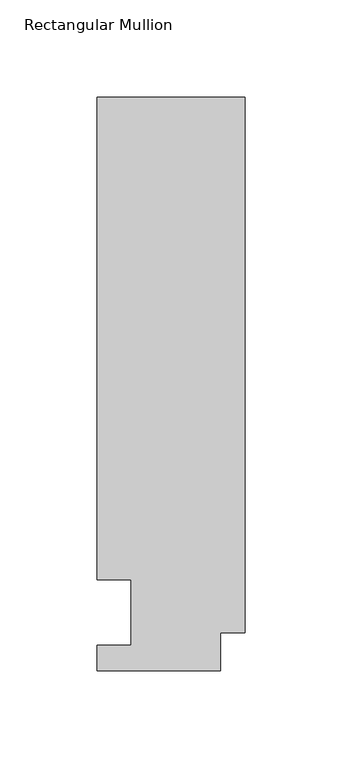
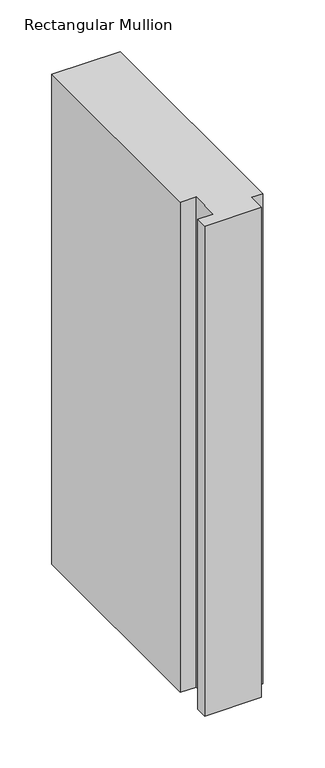
"""IFC4 building model written with IfcOpenShell, lengths in millimetres: member geometry, Rectangular Mullion."""

from ifc_helpers import new_model, si_unit, frame, origin, place, context, project, spatial, polyline, outline, extrude, source, transform, mapped, element, save


def rectangular_mullion_e173ee68(model_context):
    return source(origin(), model_context, "Body", "SweptSolid", [
        extrude(outline(polyline([(-76.2, 13.224358), (-58.7375002, 13.224358), (-58.7375002, 46.7447302), (-76.2000001, 46.7447302), (-76.2000001, 295.1821313), (0.0, 295.1821313), (0.0, 19.5667313), (-12.7, 19.5667313), (-12.7, 0.041758), (-76.2, 0.041758), (-76.2, 13.224358)])), frame((0.0, 0.0, -577.85), z_axis=(0.0, 0.0, 1.0), x_axis=(1.0, 0.0, 0.0)), (0.0, 0.0, 1.0), 577.85),
    ])


if __name__ == "__main__":
    model = new_model("IFC4")
    model_context = context("Model", 3, world=origin())
    ifc_project = project(units=[si_unit("LENGTHUNIT", "METRE", prefix="MILLI")], contexts=[model_context])
    site = spatial("IfcSite", under=ifc_project)
    building = spatial("IfcBuilding", under=site)
    placement = place(None, origin())
    rectangular_mullion_shape = rectangular_mullion_e173ee68(model_context)
    element("IfcMember", 1, ObjectType="Rectangular Mullion", at=placement, inside=building, context=model_context, shape_type="MappedRepresentation", body=[
        mapped(rectangular_mullion_shape, transform((0.0, 0.0, 0.0), x_axis=(1.0, 0.0, 0.0), y_axis=(0.0, 1.0, 0.0), z_axis=(0.0, 0.0, 1.0))),
    ])
    save(model, "model.ifc")
